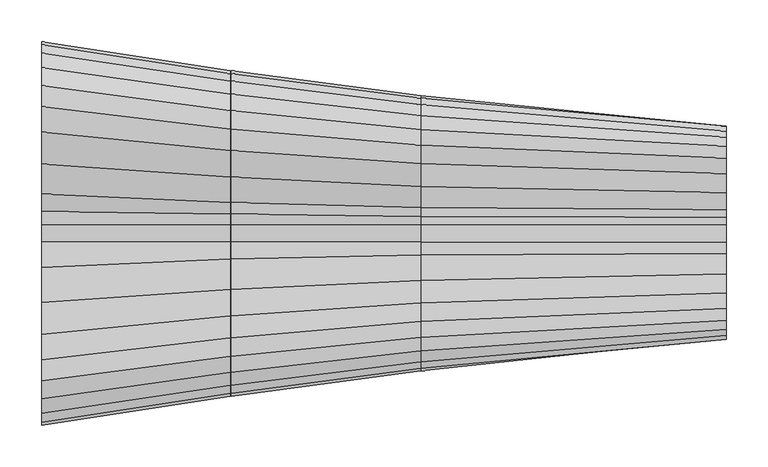
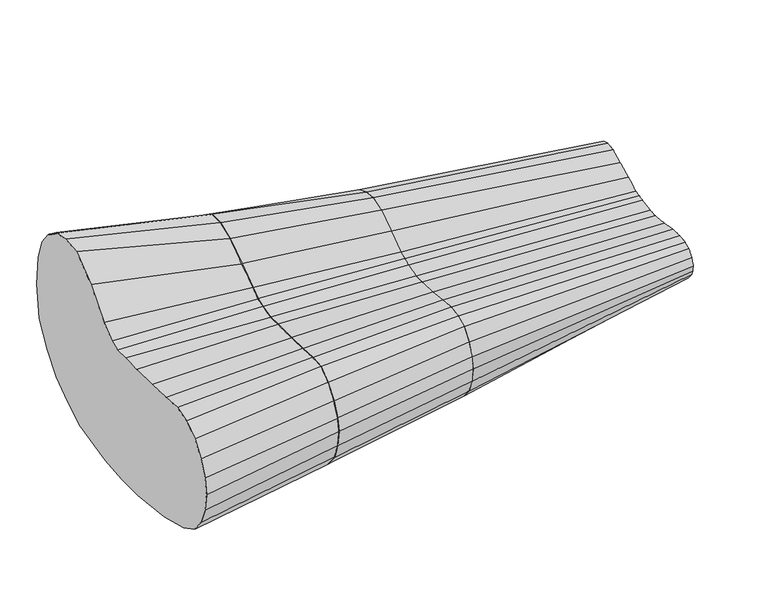
"""IFC4 building model written with IfcOpenShell, lengths in millimetres: furniture geometry."""

from ifc_helpers import new_model, si_unit, frame, origin, place, context, project, spatial, source, transform, mapped, element, save
from ifc_brep_helpers import plane_surface, spline_surface, advanced_brep


def furniture_fcfee61a(model_context):
    return source(origin(), model_context, "Body", "AdvancedBrep", [
        advanced_brep(
        [(683.6527292, -227.4947259, 367.427609), (683.6527292, -216.8380544, 392.1477571), (683.6527292, -199.7310499, 415.2632066), (683.6527292, -177.7669109, 432.0204323), (683.6527292, -152.5168533, 438.6781291), (683.6527292, -121.8045383, 437.3336254), (683.6527292, -83.4446432, 435.3574379), (683.6527292, -41.4584705, 435.1932764), (683.6527292, -10.5670489, 435.600628), (683.6527292, 9.9732296, 436.2193766), (683.6527292, 26.0260436, 441.5130578), (683.6527292, 47.1601437, 459.0756486), (683.6527292, 83.4446432, 500.5646496), (683.6527292, 121.8045383, 531.6729615), (683.6527292, 152.5168533, 534.1466114), (683.6527292, 177.7669109, 529.316274), (683.6527292, 199.7310499, 512.9957585), (683.6527292, 216.8380544, 490.8662953), (683.6527292, 227.4947259, 458.7724694), (683.6527292, 231.2008769, 411.6522715), (683.6527292, 223.9890714, 359.0169668), (683.6527292, 203.1050809, 319.6454601), (683.6527292, 177.7269061, 289.4243578), (683.6527292, 155.1426923, 272.4848758), (683.6527292, 114.932029, 247.9028734), (683.6527292, 44.1240146, 232.0407057), (683.6527292, 0.0, 226.577558), (683.6527292, -44.0139241, 226.7510395), (683.6527292, -116.3975646, 235.0542754), (683.6527292, -169.4444356, 248.7341998), (683.6527292, -198.7377784, 264.1808042), (683.6527292, -216.8093498, 287.2412607), (683.6527292, -227.4689281, 313.2198712), (683.6527292, -231.2008769, 341.0958587), (910.9237405, -192.6913452, 365.9316974), (910.9237405, -196.4842096, 345.5392284), (910.9237405, -193.1368848, 319.7888743), (910.9237405, -184.1712802, 295.4385438), (910.9237405, -167.7064967, 274.2216884), (910.9237405, -141.8395617, 261.6403343), (910.9237405, -94.073691, 245.9588423), (910.9237405, -33.9640424, 239.0120098), (910.9237405, 0.0, 236.3880057), (910.9237405, 36.0640164, 245.8591391), (910.9237405, 92.6081464, 266.1832983), (910.9237405, 134.9873546, 285.8266487), (910.9237405, 155.2252999, 303.9373346), (910.9237405, 174.6185566, 331.942275), (910.9237405, 187.6781519, 366.1150437), (910.9237405, 196.0386518, 403.0430586), (910.9237405, 192.6911817, 437.5545422), (910.9237405, 183.0976902, 464.13268), (910.9237405, 167.7064967, 485.1114867), (910.9237405, 148.0868003, 498.3507222), (910.9237405, 125.8084273, 497.9096518), (910.9237405, 99.4316488, 487.249801), (910.9237405, 67.5171906, 464.5594345), (910.9237405, 37.2542508, 443.7289109), (910.9237405, 23.5020447, 433.307563), (910.9237405, 9.7496888, 428.8164854), (910.9237405, -10.5659805, 423.0733767), (910.9237405, -30.6347466, 423.5670238), (910.9237405, -67.517345, 423.642637), (910.9237405, -99.4316488, 425.0366652), (910.9237405, -125.8084273, 426.040056), (910.9237405, -148.0869548, 424.6982411), (910.9237405, -167.7064967, 410.1720566), (910.9237405, -183.0976902, 388.399621)],
        [
            (0, 1),
            (1, 2),
            (2, 3),
            (3, 4),
            (4, 5),
            (5, 6),
            (6, 7),
            (7, 8),
            (8, 9),
            (9, 10),
            (10, 11),
            (11, 12),
            (12, 13),
            (13, 14),
            (14, 15),
            (15, 16),
            (16, 17),
            (17, 18),
            (18, 19),
            (19, 20),
            (20, 21),
            (21, 22),
            (22, 23),
            (23, 24),
            (24, 25),
            (25, 26),
            (26, 27),
            (27, 28),
            (28, 29),
            (29, 30),
            (30, 31),
            (31, 32),
            (32, 33),
            (33, 0),
            (34, 35),
            (35, 36),
            (36, 37),
            (37, 38),
            (38, 39),
            (39, 40),
            (40, 41),
            (41, 42),
            (42, 43),
            (43, 44),
            (44, 45),
            (45, 46),
            (46, 47),
            (47, 48),
            (48, 49),
            (49, 50),
            (50, 51),
            (51, 52),
            (52, 53),
            (53, 54),
            (54, 55),
            (55, 56),
            (56, 57),
            (57, 58),
            (58, 59),
            (59, 60),
            (60, 61),
            (61, 62),
            (62, 63),
            (63, 64),
            (64, 65),
            (65, 66),
            (66, 67),
            (67, 34),
            (67, 1),
            (0, 34),
            (66, 2),
            (65, 3),
            (64, 4),
            (63, 5),
            (62, 6),
            (61, 7),
            (60, 8),
            (59, 9),
            (58, 10),
            (57, 11),
            (56, 12),
            (55, 13),
            (54, 14),
            (53, 15),
            (52, 16),
            (51, 17),
            (50, 18),
            (49, 19),
            (48, 20),
            (47, 21),
            (46, 22),
            (45, 23),
            (44, 24),
            (43, 25),
            (42, 26),
            (41, 27),
            (40, 28),
            (39, 29),
            (38, 30),
            (37, 31),
            (36, 32),
            (35, 33),
        ],
        [
            plane_surface(frame((683.6527292, -0.668185, 381.152576), z_axis=(-1.0000000000000002, 0.0, 0.0), x_axis=(0.0, -0.8026686552666004, 0.5964252089344545))),
            plane_surface(frame((910.9237405, -0.1426825, 375.652264), z_axis=(1.0000000000000002, 0.0, 0.0), x_axis=(0.0, -0.8026686552666004, 0.5964252089344545))),
            spline_surface(1, 1, [[(910.9237405, -192.6913452, 365.9316974), (683.6527292, -227.4947259, 367.427609)], [(910.9237405, -183.0976902, 388.399621), (683.6527292, -216.8380544, 392.1477571)]], [2, 2], [2, 2], [0.0, 1.0], [0.0, 1.0]),
            spline_surface(1, 1, [[(910.9237405, -183.0976902, 388.399621), (683.6527292, -216.8380544, 392.1477571)], [(910.9237405, -167.7064967, 410.1720566), (683.6527292, -199.7310499, 415.2632066)]], [2, 2], [2, 2], [0.0, 1.0], [0.0, 1.0]),
            spline_surface(1, 1, [[(910.9237405, -167.7064967, 410.1720566), (683.6527292, -199.7310499, 415.2632066)], [(910.9237405, -148.0869548, 424.6982411), (683.6527292, -177.7669109, 432.0204323)]], [2, 2], [2, 2], [0.0, 1.0], [0.0, 1.0]),
            spline_surface(1, 1, [[(910.9237405, -148.0869548, 424.6982411), (683.6527292, -177.7669109, 432.0204323)], [(910.9237405, -125.8084273, 426.040056), (683.6527292, -152.5168533, 438.6781291)]], [2, 2], [2, 2], [0.0, 1.0], [0.0, 1.0]),
            spline_surface(1, 1, [[(910.9237405, -125.8084273, 426.040056), (683.6527292, -152.5168533, 438.6781291)], [(910.9237405, -99.4316488, 425.0366652), (683.6527292, -121.8045383, 437.3336254)]], [2, 2], [2, 2], [0.0, 1.0], [0.0, 1.0]),
            spline_surface(1, 1, [[(910.9237405, -99.4316488, 425.0366652), (683.6527292, -121.8045383, 437.3336254)], [(910.9237405, -67.517345, 423.642637), (683.6527292, -83.4446432, 435.3574379)]], [2, 2], [2, 2], [0.0, 1.0], [0.0, 1.0]),
            spline_surface(1, 1, [[(910.9237405, -67.517345, 423.642637), (683.6527292, -83.4446432, 435.3574379)], [(910.9237405, -30.6347466, 423.5670238), (683.6527292, -41.4584705, 435.1932764)]], [2, 2], [2, 2], [0.0, 1.0], [0.0, 1.0]),
            spline_surface(1, 1, [[(910.9237405, -30.6347466, 423.5670238), (683.6527292, -41.4584705, 435.1932764)], [(910.9237405, -10.5659805, 423.0733767), (683.6527292, -10.5670489, 435.600628)]], [2, 2], [2, 2], [0.0, 1.0], [0.0, 1.0]),
            spline_surface(1, 1, [[(910.9237405, -10.5659805, 423.0733767), (683.6527292, -10.5670489, 435.600628)], [(910.9237405, 9.7496888, 428.8164854), (683.6527292, 9.9732296, 436.2193766)]], [2, 2], [2, 2], [0.0, 1.0], [0.0, 1.0]),
            spline_surface(1, 1, [[(910.9237405, 9.7496888, 428.8164854), (683.6527292, 9.9732296, 436.2193766)], [(910.9237405, 23.5020447, 433.307563), (683.6527292, 26.0260436, 441.5130578)]], [2, 2], [2, 2], [0.0, 1.0], [0.0, 1.0]),
            spline_surface(1, 1, [[(910.9237405, 23.5020447, 433.307563), (683.6527292, 26.0260436, 441.5130578)], [(910.9237405, 37.2542508, 443.7289109), (683.6527292, 47.1601437, 459.0756486)]], [2, 2], [2, 2], [0.0, 1.0], [0.0, 1.0]),
            spline_surface(1, 1, [[(910.9237405, 37.2542508, 443.7289109), (683.6527292, 47.1601437, 459.0756486)], [(910.9237405, 67.5171906, 464.5594345), (683.6527292, 83.4446432, 500.5646496)]], [2, 2], [2, 2], [0.0, 1.0], [0.0, 1.0]),
            spline_surface(1, 1, [[(910.9237405, 67.5171906, 464.5594345), (683.6527292, 83.4446432, 500.5646496)], [(910.9237405, 99.4316488, 487.249801), (683.6527292, 121.8045383, 531.6729615)]], [2, 2], [2, 2], [0.0, 1.0], [0.0, 1.0]),
            spline_surface(1, 1, [[(910.9237405, 99.4316488, 487.249801), (683.6527292, 121.8045383, 531.6729615)], [(910.9237405, 125.8084273, 497.9096518), (683.6527292, 152.5168533, 534.1466114)]], [2, 2], [2, 2], [0.0, 1.0], [0.0, 1.0]),
            spline_surface(1, 1, [[(910.9237405, 125.8084273, 497.9096518), (683.6527292, 152.5168533, 534.1466114)], [(910.9237405, 148.0868003, 498.3507222), (683.6527292, 177.7669109, 529.316274)]], [2, 2], [2, 2], [0.0, 1.0], [0.0, 1.0]),
            spline_surface(1, 1, [[(910.9237405, 148.0868003, 498.3507222), (683.6527292, 177.7669109, 529.316274)], [(910.9237405, 167.7064967, 485.1114867), (683.6527292, 199.7310499, 512.9957585)]], [2, 2], [2, 2], [0.0, 1.0], [0.0, 1.0]),
            spline_surface(1, 1, [[(910.9237405, 167.7064967, 485.1114867), (683.6527292, 199.7310499, 512.9957585)], [(910.9237405, 183.0976902, 464.13268), (683.6527292, 216.8380544, 490.8662953)]], [2, 2], [2, 2], [0.0, 1.0], [0.0, 1.0]),
            spline_surface(1, 1, [[(910.9237405, 183.0976902, 464.13268), (683.6527292, 216.8380544, 490.8662953)], [(910.9237405, 192.6911817, 437.5545422), (683.6527292, 227.4947259, 458.7724694)]], [2, 2], [2, 2], [0.0, 1.0], [0.0, 1.0]),
            spline_surface(1, 1, [[(910.9237405, 192.6911817, 437.5545422), (683.6527292, 227.4947259, 458.7724694)], [(910.9237405, 196.0386518, 403.0430586), (683.6527292, 231.2008769, 411.6522715)]], [2, 2], [2, 2], [0.0, 1.0], [0.0, 1.0]),
            spline_surface(1, 1, [[(910.9237405, 196.0386518, 403.0430586), (683.6527292, 231.2008769, 411.6522715)], [(910.9237405, 187.6781519, 366.1150437), (683.6527292, 223.9890714, 359.0169668)]], [2, 2], [2, 2], [0.0, 1.0], [0.0, 1.0]),
            spline_surface(1, 1, [[(910.9237405, 187.6781519, 366.1150437), (683.6527292, 223.9890714, 359.0169668)], [(910.9237405, 174.6185566, 331.942275), (683.6527292, 203.1050809, 319.6454601)]], [2, 2], [2, 2], [0.0, 1.0], [0.0, 1.0]),
            spline_surface(1, 1, [[(910.9237405, 174.6185566, 331.942275), (683.6527292, 203.1050809, 319.6454601)], [(910.9237405, 155.2252999, 303.9373346), (683.6527292, 177.7269061, 289.4243578)]], [2, 2], [2, 2], [0.0, 1.0], [0.0, 1.0]),
            spline_surface(1, 1, [[(910.9237405, 155.2252999, 303.9373346), (683.6527292, 177.7269061, 289.4243578)], [(910.9237405, 134.9873546, 285.8266487), (683.6527292, 155.1426923, 272.4848758)]], [2, 2], [2, 2], [0.0, 1.0], [0.0, 1.0]),
            spline_surface(1, 1, [[(910.9237405, 134.9873546, 285.8266487), (683.6527292, 155.1426923, 272.4848758)], [(910.9237405, 92.6081464, 266.1832983), (683.6527292, 114.932029, 247.9028734)]], [2, 2], [2, 2], [0.0, 1.0], [0.0, 1.0]),
            spline_surface(1, 1, [[(910.9237405, 92.6081464, 266.1832983), (683.6527292, 114.932029, 247.9028734)], [(910.9237405, 36.0640164, 245.8591391), (683.6527292, 44.1240146, 232.0407057)]], [2, 2], [2, 2], [0.0, 1.0], [0.0, 1.0]),
            spline_surface(1, 1, [[(910.9237405, 36.0640164, 245.8591391), (683.6527292, 44.1240146, 232.0407057)], [(910.9237405, 0.0, 236.3880057), (683.6527292, 0.0, 226.577558)]], [2, 2], [2, 2], [0.0, 1.0], [0.0, 1.0]),
            spline_surface(1, 1, [[(910.9237405, 0.0, 236.3880057), (683.6527292, 0.0, 226.577558)], [(910.9237405, -33.9640424, 239.0120098), (683.6527292, -44.0139241, 226.7510395)]], [2, 2], [2, 2], [0.0, 1.0], [0.0, 1.0]),
            spline_surface(1, 1, [[(910.9237405, -33.9640424, 239.0120098), (683.6527292, -44.0139241, 226.7510395)], [(910.9237405, -94.073691, 245.9588423), (683.6527292, -116.3975646, 235.0542754)]], [2, 2], [2, 2], [0.0, 1.0], [0.0, 1.0]),
            spline_surface(1, 1, [[(910.9237405, -94.073691, 245.9588423), (683.6527292, -116.3975646, 235.0542754)], [(910.9237405, -141.8395617, 261.6403343), (683.6527292, -169.4444356, 248.7341998)]], [2, 2], [2, 2], [0.0, 1.0], [0.0, 1.0]),
            spline_surface(1, 1, [[(910.9237405, -141.8395617, 261.6403343), (683.6527292, -169.4444356, 248.7341998)], [(910.9237405, -167.7064967, 274.2216884), (683.6527292, -198.7377784, 264.1808042)]], [2, 2], [2, 2], [0.0, 1.0], [0.0, 1.0]),
            spline_surface(1, 1, [[(910.9237405, -167.7064967, 274.2216884), (683.6527292, -198.7377784, 264.1808042)], [(910.9237405, -184.1712802, 295.4385438), (683.6527292, -216.8093498, 287.2412607)]], [2, 2], [2, 2], [0.0, 1.0], [0.0, 1.0]),
            spline_surface(1, 1, [[(910.9237405, -184.1712802, 295.4385438), (683.6527292, -216.8093498, 287.2412607)], [(910.9237405, -193.1368848, 319.7888743), (683.6527292, -227.4689281, 313.2198712)]], [2, 2], [2, 2], [0.0, 1.0], [0.0, 1.0]),
            spline_surface(1, 1, [[(910.9237405, -193.1368848, 319.7888743), (683.6527292, -227.4689281, 313.2198712)], [(910.9237405, -196.4842096, 345.5392284), (683.6527292, -231.2008769, 341.0958587)]], [2, 2], [2, 2], [0.0, 1.0], [0.0, 1.0]),
            spline_surface(1, 1, [[(910.9237405, -196.4842096, 345.5392284), (683.6527292, -231.2008769, 341.0958587)], [(910.9237405, -192.6913452, 365.9316974), (683.6527292, -227.4947259, 367.427609)]], [2, 2], [2, 2], [0.0, 1.0], [0.0, 1.0]),
        ],
        [
            (0, [[1, 2, 3, 4, 5, 6, 7, 8, 9, 10, 11, 12, 13, 14, 15, 16, 17, 18, 19, 20, 21, 22, 23, 24, 25, 26, 27, 28, 29, 30, 31, 32, 33, 34]]),
            (1, [[35, 36, 37, 38, 39, 40, 41, 42, 43, 44, 45, 46, 47, 48, 49, 50, 51, 52, 53, 54, 55, 56, 57, 58, 59, 60, 61, 62, 63, 64, 65, 66, 67, 68]]),
            (2, [[-68, 69, -1, 70]]),
            (3, [[-67, 71, -2, -69]]),
            (4, [[-66, 72, -3, -71]]),
            (5, [[-65, 73, -4, -72]]),
            (6, [[-64, 74, -5, -73]]),
            (7, [[-63, 75, -6, -74]]),
            (8, [[-62, 76, -7, -75]]),
            (9, [[-61, 77, -8, -76]]),
            (10, [[-60, 78, -9, -77]]),
            (11, [[-59, 79, -10, -78]]),
            (12, [[-58, 80, -11, -79]]),
            (13, [[-57, 81, -12, -80]]),
            (14, [[-56, 82, -13, -81]]),
            (15, [[-55, 83, -14, -82]]),
            (16, [[-54, 84, -15, -83]]),
            (17, [[-53, 85, -16, -84]]),
            (18, [[-52, 86, -17, -85]]),
            (19, [[-51, 87, -18, -86]]),
            (20, [[-50, 88, -19, -87]]),
            (21, [[-49, 89, -20, -88]]),
            (22, [[-48, 90, -21, -89]]),
            (23, [[-47, 91, -22, -90]]),
            (24, [[-46, 92, -23, -91]]),
            (25, [[-45, 93, -24, -92]]),
            (26, [[-44, 94, -25, -93]]),
            (27, [[-43, 95, -26, -94]]),
            (28, [[-42, 96, -27, -95]]),
            (29, [[-41, 97, -28, -96]]),
            (30, [[-40, 98, -29, -97]]),
            (31, [[-39, 99, -30, -98]]),
            (32, [[-38, 100, -31, -99]]),
            (33, [[-37, 101, -32, -100]]),
            (34, [[-36, 102, -33, -101]]),
            (35, [[-35, -70, -34, -102]]),
        ],
    ),
        advanced_brep(
        [(911.9284757, 125.8084273, 497.9096518), (911.9284757, 148.0868003, 498.3507222), (911.9284757, 167.7064967, 485.1114867), (911.9284757, 183.0976902, 464.13268), (911.9284757, 192.6911817, 437.5545422), (911.9284757, 196.0386518, 403.0430586), (911.9284757, 187.6781519, 366.1150437), (911.9284757, 174.6185566, 331.942275), (911.9284757, 155.2252999, 303.9373346), (911.9284757, 134.9873546, 285.8266487), (911.9284757, 92.6081464, 266.1832983), (911.9284757, 36.0640164, 245.8591391), (911.9284757, 0.0, 236.3880057), (911.9284757, -33.9640424, 239.0120098), (911.9284757, -94.073691, 245.9588423), (911.9284757, -141.8395617, 261.6403343), (911.9284757, -167.7064967, 274.2216884), (911.9284757, -184.1712802, 295.4385438), (911.9284757, -193.1368848, 319.7888743), (911.9284757, -196.4842096, 345.5392284), (911.9284757, -192.6913452, 365.9316974), (911.9284757, -183.0976902, 388.399621), (911.9284757, -167.7064967, 410.1720566), (911.9284757, -148.0869548, 424.6982411), (911.9284757, -125.8084273, 426.040056), (911.9284757, -99.4316488, 425.0366652), (911.9284757, -67.517345, 423.642637), (911.9284757, -30.6347466, 423.5670238), (911.9284757, -10.5659805, 423.0733767), (911.9284757, 9.7496888, 428.8164854), (911.9284757, 23.5020447, 433.307563), (911.9284757, 37.2542508, 443.7289109), (911.9284757, 67.5171906, 464.5594345), (911.9284757, 99.4316488, 487.249801), (1140.1810405, 106.2362117, 470.852655), (1140.1810405, 83.7630104, 464.4063915), (1140.1810405, 56.5870393, 446.0768417), (1140.1810405, 30.8921846, 426.6468141), (1140.1810405, 20.4054519, 422.2302232), (1140.1810405, 9.9187192, 417.8136686), (1140.1810405, -10.5618576, 411.9399356), (1140.1810405, -26.2422572, 411.1880919), (1140.1810405, -56.5870393, 413.1708924), (1140.1810405, -83.7630104, 416.2499923), (1140.1810405, -106.2362117, 418.2673837), (1140.1810405, -125.2677444, 415.1289851), (1140.1810405, -141.9265931, 407.7404826), (1140.1810405, -154.9466469, 389.1131312), (1140.1810405, -163.0622126, 369.6281287), (1140.1810405, -165.8938893, 351.69503), (1140.1810405, -163.0622126, 329.0616732), (1140.1810405, -154.9466469, 308.1395854), (1140.1810405, -141.9265931, 292.1468661), (1140.1810405, -119.0156188, 281.2368489), (1140.1810405, -78.3596974, 266.4864048), (1140.1810405, -28.1764051, 258.5126727), (1140.1810405, 0.0, 256.5882444), (1140.1810405, 30.2763792, 266.553352), (1140.1810405, 76.8941618, 287.8831183), (1140.1810405, 112.1635661, 310.5622936), (1140.1810405, 129.4453964, 326.4132883), (1140.1810405, 146.4675042, 347.5870322), (1140.1810405, 156.4086579, 372.9298167), (1140.1810405, 165.8938893, 397.8062779), (1140.1810405, 163.0622126, 424.2558263), (1140.1810405, 154.9466469, 445.8054193), (1140.1810405, 141.9264387, 462.5416434), (1140.1810405, 125.2677444, 468.9080063)],
        [
            (0, 1),
            (1, 2),
            (2, 3),
            (3, 4),
            (4, 5),
            (5, 6),
            (6, 7),
            (7, 8),
            (8, 9),
            (9, 10),
            (10, 11),
            (11, 12),
            (12, 13),
            (13, 14),
            (14, 15),
            (15, 16),
            (16, 17),
            (17, 18),
            (18, 19),
            (19, 20),
            (20, 21),
            (21, 22),
            (22, 23),
            (23, 24),
            (24, 25),
            (25, 26),
            (26, 27),
            (27, 28),
            (28, 29),
            (29, 30),
            (30, 31),
            (31, 32),
            (32, 33),
            (33, 0),
            (34, 35),
            (35, 36),
            (36, 37),
            (37, 38),
            (38, 39),
            (39, 40),
            (40, 41),
            (41, 42),
            (42, 43),
            (43, 44),
            (44, 45),
            (45, 46),
            (46, 47),
            (47, 48),
            (48, 49),
            (49, 50),
            (50, 51),
            (51, 52),
            (52, 53),
            (53, 54),
            (54, 55),
            (55, 56),
            (56, 57),
            (57, 58),
            (58, 59),
            (59, 60),
            (60, 61),
            (61, 62),
            (62, 63),
            (63, 64),
            (64, 65),
            (65, 66),
            (66, 67),
            (67, 34),
            (67, 1),
            (0, 34),
            (66, 2),
            (65, 3),
            (64, 4),
            (63, 5),
            (62, 6),
            (61, 7),
            (60, 8),
            (59, 9),
            (58, 10),
            (57, 11),
            (56, 12),
            (55, 13),
            (54, 14),
            (53, 15),
            (52, 16),
            (51, 17),
            (50, 18),
            (49, 19),
            (48, 20),
            (47, 21),
            (46, 22),
            (45, 23),
            (44, 24),
            (43, 25),
            (42, 26),
            (41, 27),
            (40, 28),
            (39, 29),
            (38, 30),
            (37, 31),
            (36, 32),
            (35, 33),
        ],
        [
            plane_surface(frame((911.9284757, -0.1426825, 375.652264), z_axis=(-1.0, 0.0, 0.0), x_axis=(0.0, -0.33951392578937706, 0.9406010281703319))),
            plane_surface(frame((1140.1810405, -0.2770418, 375.1637358), z_axis=(1.0, 0.0, 0.0), x_axis=(0.0, -0.33951392578937706, 0.9406010281703319))),
            spline_surface(1, 1, [[(1140.1810405, 106.2362117, 470.852655), (911.9284757, 125.8084273, 497.9096518)], [(1140.1810405, 125.2677444, 468.9080063), (911.9284757, 148.0868003, 498.3507222)]], [2, 2], [2, 2], [0.0, 1.0], [0.0, 1.0]),
            spline_surface(1, 1, [[(1140.1810405, 125.2677444, 468.9080063), (911.9284757, 148.0868003, 498.3507222)], [(1140.1810405, 141.9264387, 462.5416434), (911.9284757, 167.7064967, 485.1114867)]], [2, 2], [2, 2], [0.0, 1.0], [0.0, 1.0]),
            spline_surface(1, 1, [[(1140.1810405, 141.9264387, 462.5416434), (911.9284757, 167.7064967, 485.1114867)], [(1140.1810405, 154.9466469, 445.8054193), (911.9284757, 183.0976902, 464.13268)]], [2, 2], [2, 2], [0.0, 1.0], [0.0, 1.0]),
            spline_surface(1, 1, [[(1140.1810405, 154.9466469, 445.8054193), (911.9284757, 183.0976902, 464.13268)], [(1140.1810405, 163.0622126, 424.2558263), (911.9284757, 192.6911817, 437.5545422)]], [2, 2], [2, 2], [0.0, 1.0], [0.0, 1.0]),
            spline_surface(1, 1, [[(1140.1810405, 163.0622126, 424.2558263), (911.9284757, 192.6911817, 437.5545422)], [(1140.1810405, 165.8938893, 397.8062779), (911.9284757, 196.0386518, 403.0430586)]], [2, 2], [2, 2], [0.0, 1.0], [0.0, 1.0]),
            spline_surface(1, 1, [[(1140.1810405, 165.8938893, 397.8062779), (911.9284757, 196.0386518, 403.0430586)], [(1140.1810405, 156.4086579, 372.9298167), (911.9284757, 187.6781519, 366.1150437)]], [2, 2], [2, 2], [0.0, 1.0], [0.0, 1.0]),
            spline_surface(1, 1, [[(1140.1810405, 156.4086579, 372.9298167), (911.9284757, 187.6781519, 366.1150437)], [(1140.1810405, 146.4675042, 347.5870322), (911.9284757, 174.6185566, 331.942275)]], [2, 2], [2, 2], [0.0, 1.0], [0.0, 1.0]),
            spline_surface(1, 1, [[(1140.1810405, 146.4675042, 347.5870322), (911.9284757, 174.6185566, 331.942275)], [(1140.1810405, 129.4453964, 326.4132883), (911.9284757, 155.2252999, 303.9373346)]], [2, 2], [2, 2], [0.0, 1.0], [0.0, 1.0]),
            spline_surface(1, 1, [[(1140.1810405, 129.4453964, 326.4132883), (911.9284757, 155.2252999, 303.9373346)], [(1140.1810405, 112.1635661, 310.5622936), (911.9284757, 134.9873546, 285.8266487)]], [2, 2], [2, 2], [0.0, 1.0], [0.0, 1.0]),
            spline_surface(1, 1, [[(1140.1810405, 112.1635661, 310.5622936), (911.9284757, 134.9873546, 285.8266487)], [(1140.1810405, 76.8941618, 287.8831183), (911.9284757, 92.6081464, 266.1832983)]], [2, 2], [2, 2], [0.0, 1.0], [0.0, 1.0]),
            spline_surface(1, 1, [[(1140.1810405, 76.8941618, 287.8831183), (911.9284757, 92.6081464, 266.1832983)], [(1140.1810405, 30.2763792, 266.553352), (911.9284757, 36.0640164, 245.8591391)]], [2, 2], [2, 2], [0.0, 1.0], [0.0, 1.0]),
            spline_surface(1, 1, [[(1140.1810405, 30.2763792, 266.553352), (911.9284757, 36.0640164, 245.8591391)], [(1140.1810405, 0.0, 256.5882444), (911.9284757, 0.0, 236.3880057)]], [2, 2], [2, 2], [0.0, 1.0], [0.0, 1.0]),
            spline_surface(1, 1, [[(1140.1810405, 0.0, 256.5882444), (911.9284757, 0.0, 236.3880057)], [(1140.1810405, -28.1764051, 258.5126727), (911.9284757, -33.9640424, 239.0120098)]], [2, 2], [2, 2], [0.0, 1.0], [0.0, 1.0]),
            spline_surface(1, 1, [[(1140.1810405, -28.1764051, 258.5126727), (911.9284757, -33.9640424, 239.0120098)], [(1140.1810405, -78.3596974, 266.4864048), (911.9284757, -94.073691, 245.9588423)]], [2, 2], [2, 2], [0.0, 1.0], [0.0, 1.0]),
            spline_surface(1, 1, [[(1140.1810405, -78.3596974, 266.4864048), (911.9284757, -94.073691, 245.9588423)], [(1140.1810405, -119.0156188, 281.2368489), (911.9284757, -141.8395617, 261.6403343)]], [2, 2], [2, 2], [0.0, 1.0], [0.0, 1.0]),
            spline_surface(1, 1, [[(1140.1810405, -119.0156188, 281.2368489), (911.9284757, -141.8395617, 261.6403343)], [(1140.1810405, -141.9265931, 292.1468661), (911.9284757, -167.7064967, 274.2216884)]], [2, 2], [2, 2], [0.0, 1.0], [0.0, 1.0]),
            spline_surface(1, 1, [[(1140.1810405, -141.9265931, 292.1468661), (911.9284757, -167.7064967, 274.2216884)], [(1140.1810405, -154.9466469, 308.1395854), (911.9284757, -184.1712802, 295.4385438)]], [2, 2], [2, 2], [0.0, 1.0], [0.0, 1.0]),
            spline_surface(1, 1, [[(1140.1810405, -154.9466469, 308.1395854), (911.9284757, -184.1712802, 295.4385438)], [(1140.1810405, -163.0622126, 329.0616732), (911.9284757, -193.1368848, 319.7888743)]], [2, 2], [2, 2], [0.0, 1.0], [0.0, 1.0]),
            spline_surface(1, 1, [[(1140.1810405, -163.0622126, 329.0616732), (911.9284757, -193.1368848, 319.7888743)], [(1140.1810405, -165.8938893, 351.69503), (911.9284757, -196.4842096, 345.5392284)]], [2, 2], [2, 2], [0.0, 1.0], [0.0, 1.0]),
            spline_surface(1, 1, [[(1140.1810405, -165.8938893, 351.69503), (911.9284757, -196.4842096, 345.5392284)], [(1140.1810405, -163.0622126, 369.6281287), (911.9284757, -192.6913452, 365.9316974)]], [2, 2], [2, 2], [0.0, 1.0], [0.0, 1.0]),
            spline_surface(1, 1, [[(1140.1810405, -163.0622126, 369.6281287), (911.9284757, -192.6913452, 365.9316974)], [(1140.1810405, -154.9466469, 389.1131312), (911.9284757, -183.0976902, 388.399621)]], [2, 2], [2, 2], [0.0, 1.0], [0.0, 1.0]),
            spline_surface(1, 1, [[(1140.1810405, -154.9466469, 389.1131312), (911.9284757, -183.0976902, 388.399621)], [(1140.1810405, -141.9265931, 407.7404826), (911.9284757, -167.7064967, 410.1720566)]], [2, 2], [2, 2], [0.0, 1.0], [0.0, 1.0]),
            spline_surface(1, 1, [[(1140.1810405, -141.9265931, 407.7404826), (911.9284757, -167.7064967, 410.1720566)], [(1140.1810405, -125.2677444, 415.1289851), (911.9284757, -148.0869548, 424.6982411)]], [2, 2], [2, 2], [0.0, 1.0], [0.0, 1.0]),
            spline_surface(1, 1, [[(1140.1810405, -125.2677444, 415.1289851), (911.9284757, -148.0869548, 424.6982411)], [(1140.1810405, -106.2362117, 418.2673837), (911.9284757, -125.8084273, 426.040056)]], [2, 2], [2, 2], [0.0, 1.0], [0.0, 1.0]),
            spline_surface(1, 1, [[(1140.1810405, -106.2362117, 418.2673837), (911.9284757, -125.8084273, 426.040056)], [(1140.1810405, -83.7630104, 416.2499923), (911.9284757, -99.4316488, 425.0366652)]], [2, 2], [2, 2], [0.0, 1.0], [0.0, 1.0]),
            spline_surface(1, 1, [[(1140.1810405, -83.7630104, 416.2499923), (911.9284757, -99.4316488, 425.0366652)], [(1140.1810405, -56.5870393, 413.1708924), (911.9284757, -67.517345, 423.642637)]], [2, 2], [2, 2], [0.0, 1.0], [0.0, 1.0]),
            spline_surface(1, 1, [[(1140.1810405, -56.5870393, 413.1708924), (911.9284757, -67.517345, 423.642637)], [(1140.1810405, -26.2422572, 411.1880919), (911.9284757, -30.6347466, 423.5670238)]], [2, 2], [2, 2], [0.0, 1.0], [0.0, 1.0]),
            spline_surface(1, 1, [[(1140.1810405, -26.2422572, 411.1880919), (911.9284757, -30.6347466, 423.5670238)], [(1140.1810405, -10.5618576, 411.9399356), (911.9284757, -10.5659805, 423.0733767)]], [2, 2], [2, 2], [0.0, 1.0], [0.0, 1.0]),
            spline_surface(1, 1, [[(1140.1810405, -10.5618576, 411.9399356), (911.9284757, -10.5659805, 423.0733767)], [(1140.1810405, 9.9187192, 417.8136686), (911.9284757, 9.7496888, 428.8164854)]], [2, 2], [2, 2], [0.0, 1.0], [0.0, 1.0]),
            spline_surface(1, 1, [[(1140.1810405, 9.9187192, 417.8136686), (911.9284757, 9.7496888, 428.8164854)], [(1140.1810405, 20.4054519, 422.2302232), (911.9284757, 23.5020447, 433.307563)]], [2, 2], [2, 2], [0.0, 1.0], [0.0, 1.0]),
            spline_surface(1, 1, [[(1140.1810405, 20.4054519, 422.2302232), (911.9284757, 23.5020447, 433.307563)], [(1140.1810405, 30.8921846, 426.6468141), (911.9284757, 37.2542508, 443.7289109)]], [2, 2], [2, 2], [0.0, 1.0], [0.0, 1.0]),
            spline_surface(1, 1, [[(1140.1810405, 30.8921846, 426.6468141), (911.9284757, 37.2542508, 443.7289109)], [(1140.1810405, 56.5870393, 446.0768417), (911.9284757, 67.5171906, 464.5594345)]], [2, 2], [2, 2], [0.0, 1.0], [0.0, 1.0]),
            spline_surface(1, 1, [[(1140.1810405, 56.5870393, 446.0768417), (911.9284757, 67.5171906, 464.5594345)], [(1140.1810405, 83.7630104, 464.4063915), (911.9284757, 99.4316488, 487.249801)]], [2, 2], [2, 2], [0.0, 1.0], [0.0, 1.0]),
            spline_surface(1, 1, [[(1140.1810405, 83.7630104, 464.4063915), (911.9284757, 99.4316488, 487.249801)], [(1140.1810405, 106.2362117, 470.852655), (911.9284757, 125.8084273, 497.9096518)]], [2, 2], [2, 2], [0.0, 1.0], [0.0, 1.0]),
        ],
        [
            (0, [[1, 2, 3, 4, 5, 6, 7, 8, 9, 10, 11, 12, 13, 14, 15, 16, 17, 18, 19, 20, 21, 22, 23, 24, 25, 26, 27, 28, 29, 30, 31, 32, 33, 34]]),
            (1, [[35, 36, 37, 38, 39, 40, 41, 42, 43, 44, 45, 46, 47, 48, 49, 50, 51, 52, 53, 54, 55, 56, 57, 58, 59, 60, 61, 62, 63, 64, 65, 66, 67, 68]]),
            (2, [[-68, 69, -1, 70]]),
            (3, [[-67, 71, -2, -69]]),
            (4, [[-66, 72, -3, -71]]),
            (5, [[-65, 73, -4, -72]]),
            (6, [[-64, 74, -5, -73]]),
            (7, [[-63, 75, -6, -74]]),
            (8, [[-62, 76, -7, -75]]),
            (9, [[-61, 77, -8, -76]]),
            (10, [[-60, 78, -9, -77]]),
            (11, [[-59, 79, -10, -78]]),
            (12, [[-58, 80, -11, -79]]),
            (13, [[-57, 81, -12, -80]]),
            (14, [[-56, 82, -13, -81]]),
            (15, [[-55, 83, -14, -82]]),
            (16, [[-54, 84, -15, -83]]),
            (17, [[-53, 85, -16, -84]]),
            (18, [[-52, 86, -17, -85]]),
            (19, [[-51, 87, -18, -86]]),
            (20, [[-50, 88, -19, -87]]),
            (21, [[-49, 89, -20, -88]]),
            (22, [[-48, 90, -21, -89]]),
            (23, [[-47, 91, -22, -90]]),
            (24, [[-46, 92, -23, -91]]),
            (25, [[-45, 93, -24, -92]]),
            (26, [[-44, 94, -25, -93]]),
            (27, [[-43, 95, -26, -94]]),
            (28, [[-42, 96, -27, -95]]),
            (29, [[-41, 97, -28, -96]]),
            (30, [[-40, 98, -29, -97]]),
            (31, [[-39, 99, -30, -98]]),
            (32, [[-38, 100, -31, -99]]),
            (33, [[-37, 101, -32, -100]]),
            (34, [[-36, 102, -33, -101]]),
            (35, [[-35, -70, -34, -102]]),
        ],
    ),
        advanced_brep(
        [(1140.1810405, 163.0622126, 424.2558263), (1140.1810405, 165.8938893, 397.8062779), (1140.1810405, 156.4086579, 372.9298167), (1140.1810405, 146.4675042, 347.5870322), (1140.1810405, 129.4453964, 326.4132883), (1140.1810405, 112.1635661, 310.5622936), (1140.1810405, 76.8941618, 287.8831183), (1140.1810405, 30.2763792, 266.553352), (1140.1810405, 0.0, 256.5882444), (1140.1810405, -28.1764051, 258.5126727), (1140.1810405, -78.3596974, 266.4864048), (1140.1810405, -119.0156188, 281.2368489), (1140.1810405, -141.9265931, 292.1468661), (1140.1810405, -154.9466469, 308.1395854), (1140.1810405, -163.0622126, 329.0616732), (1140.1810405, -165.8938893, 351.69503), (1140.1810405, -163.0622126, 369.6281287), (1140.1810405, -154.9466469, 389.1131312), (1140.1810405, -141.9265931, 407.7404826), (1140.1810405, -125.2677444, 415.1289851), (1140.1810405, -106.2362117, 418.2673837), (1140.1810405, -83.7630104, 416.2499923), (1140.1810405, -56.5870393, 413.1708924), (1140.1810405, -26.2422572, 411.1880919), (1140.1810405, -10.5618576, 411.9399356), (1140.1810405, 9.9187192, 417.8136686), (1140.1810405, 20.4054519, 422.2302232), (1140.1810405, 30.8921846, 426.6468141), (1140.1810405, 56.5870393, 446.0768417), (1140.1810405, 83.7630104, 464.4063915), (1140.1810405, 106.2362117, 470.852655), (1140.1810405, 125.2677444, 468.9080063), (1140.1810405, 141.9264387, 462.5416434), (1140.1810405, 154.9466469, 445.8054193), (1508.3630002, 129.4061546, 410.0719173), (1508.3630002, 123.0572235, 422.540742), (1508.3630002, 115.7944309, 430.2296986), (1508.3630002, 105.2502799, 433.2855803), (1508.3630002, 90.6720182, 431.363314), (1508.3630002, 71.8470771, 421.5024696), (1508.3630002, 48.8670844, 411.343097), (1508.3630002, 28.7926716, 399.9432841), (1508.3630002, 19.6667274, 398.0082642), (1508.3630002, 10.5407867, 396.0732805), (1508.3630002, -10.5655217, 392.2598505), (1508.3630002, -24.1425898, 391.2132937), (1508.3630002, -48.8670844, 393.725386), (1508.3630002, -71.8470771, 397.7757929), (1508.3630002, -90.6720182, 398.4985685), (1508.3630002, -105.2502799, 397.062864), (1508.3630002, -115.7944309, 392.1776608), (1508.3630002, -123.1499049, 382.1153026), (1508.3630002, -127.7685365, 370.7367093), (1508.3630002, -126.0130387, 361.0895511), (1508.3630002, -123.45025, 353.5469882), (1508.3630002, -114.1105403, 342.5868287), (1508.3630002, -102.2831735, 334.1174329), (1508.3630002, -85.1694561, 327.5503555), (1508.3630002, -58.9908715, 320.2989086), (1508.3630002, -22.5013019, 318.7037298), (1508.3630002, 0.0, 320.4318947), (1508.3630002, 24.601428, 324.8833672), (1508.3630002, 62.2723754, 337.962547), (1508.3630002, 89.1537969, 353.2772736), (1508.3630002, 101.5287229, 363.6330731), (1508.3630002, 114.1019925, 374.1954371), (1508.3630002, 122.8546014, 384.2769802), (1508.3630002, 128.701174, 397.113515)],
        [
            (0, 1),
            (1, 2),
            (2, 3),
            (3, 4),
            (4, 5),
            (5, 6),
            (6, 7),
            (7, 8),
            (8, 9),
            (9, 10),
            (10, 11),
            (11, 12),
            (12, 13),
            (13, 14),
            (14, 15),
            (15, 16),
            (16, 17),
            (17, 18),
            (18, 19),
            (19, 20),
            (20, 21),
            (21, 22),
            (22, 23),
            (23, 24),
            (24, 25),
            (25, 26),
            (26, 27),
            (27, 28),
            (28, 29),
            (29, 30),
            (30, 31),
            (31, 32),
            (32, 33),
            (33, 0),
            (34, 35),
            (35, 36),
            (36, 37),
            (37, 38),
            (38, 39),
            (39, 40),
            (40, 41),
            (41, 42),
            (42, 43),
            (43, 44),
            (44, 45),
            (45, 46),
            (46, 47),
            (47, 48),
            (48, 49),
            (49, 50),
            (50, 51),
            (51, 52),
            (52, 53),
            (53, 54),
            (54, 55),
            (55, 56),
            (56, 57),
            (57, 58),
            (58, 59),
            (59, 60),
            (60, 61),
            (61, 62),
            (62, 63),
            (63, 64),
            (64, 65),
            (65, 66),
            (66, 67),
            (67, 34),
            (34, 0),
            (33, 35),
            (32, 36),
            (31, 37),
            (30, 38),
            (29, 39),
            (28, 40),
            (27, 41),
            (26, 42),
            (25, 43),
            (24, 44),
            (23, 45),
            (22, 46),
            (21, 47),
            (20, 48),
            (19, 49),
            (18, 50),
            (17, 51),
            (16, 52),
            (15, 53),
            (14, 54),
            (13, 55),
            (12, 56),
            (11, 57),
            (10, 58),
            (9, 59),
            (8, 60),
            (7, 61),
            (6, 62),
            (5, 63),
            (4, 64),
            (3, 65),
            (2, 66),
            (1, 67),
        ],
        [
            plane_surface(frame((1140.1810405, -0.2770418, 375.1637358), z_axis=(-1.0, 0.0, 0.0), x_axis=(0.0, -0.9948201142818667, 0.10165107092507014))),
            plane_surface(frame((1508.3630002, 1.0744844, 378.9292635), z_axis=(1.0, 0.0, 0.0), x_axis=(0.0, -0.9948201142818667, 0.10165107092507014))),
            spline_surface(1, 1, [[(1508.3630002, 123.0572235, 422.540742), (1140.1810405, 154.9466469, 445.8054193)], [(1508.3630002, 129.4061546, 410.0719173), (1140.1810405, 163.0622126, 424.2558263)]], [2, 2], [2, 2], [0.0, 1.0], [0.0, 1.0]),
            spline_surface(1, 1, [[(1508.3630002, 115.7944309, 430.2296986), (1140.1810405, 141.9264387, 462.5416434)], [(1508.3630002, 123.0572235, 422.540742), (1140.1810405, 154.9466469, 445.8054193)]], [2, 2], [2, 2], [0.0, 1.0], [0.0, 1.0]),
            spline_surface(1, 1, [[(1508.3630002, 105.2502799, 433.2855803), (1140.1810405, 125.2677444, 468.9080063)], [(1508.3630002, 115.7944309, 430.2296986), (1140.1810405, 141.9264387, 462.5416434)]], [2, 2], [2, 2], [0.0, 1.0], [0.0, 1.0]),
            spline_surface(1, 1, [[(1508.3630002, 90.6720182, 431.363314), (1140.1810405, 106.2362117, 470.852655)], [(1508.3630002, 105.2502799, 433.2855803), (1140.1810405, 125.2677444, 468.9080063)]], [2, 2], [2, 2], [0.0, 1.0], [0.0, 1.0]),
            spline_surface(1, 1, [[(1508.3630002, 71.8470771, 421.5024696), (1140.1810405, 83.7630104, 464.4063915)], [(1508.3630002, 90.6720182, 431.363314), (1140.1810405, 106.2362117, 470.852655)]], [2, 2], [2, 2], [0.0, 1.0], [0.0, 1.0]),
            spline_surface(1, 1, [[(1508.3630002, 48.8670844, 411.343097), (1140.1810405, 56.5870393, 446.0768417)], [(1508.3630002, 71.8470771, 421.5024696), (1140.1810405, 83.7630104, 464.4063915)]], [2, 2], [2, 2], [0.0, 1.0], [0.0, 1.0]),
            spline_surface(1, 1, [[(1508.3630002, 28.7926716, 399.9432841), (1140.1810405, 30.8921846, 426.6468141)], [(1508.3630002, 48.8670844, 411.343097), (1140.1810405, 56.5870393, 446.0768417)]], [2, 2], [2, 2], [0.0, 1.0], [0.0, 1.0]),
            spline_surface(1, 1, [[(1508.3630002, 19.6667274, 398.0082642), (1140.1810405, 20.4054519, 422.2302232)], [(1508.3630002, 28.7926716, 399.9432841), (1140.1810405, 30.8921846, 426.6468141)]], [2, 2], [2, 2], [0.0, 1.0], [0.0, 1.0]),
            spline_surface(1, 1, [[(1508.3630002, 10.5407867, 396.0732805), (1140.1810405, 9.9187192, 417.8136686)], [(1508.3630002, 19.6667274, 398.0082642), (1140.1810405, 20.4054519, 422.2302232)]], [2, 2], [2, 2], [0.0, 1.0], [0.0, 1.0]),
            spline_surface(1, 1, [[(1508.3630002, -10.5655217, 392.2598505), (1140.1810405, -10.5618576, 411.9399356)], [(1508.3630002, 10.5407867, 396.0732805), (1140.1810405, 9.9187192, 417.8136686)]], [2, 2], [2, 2], [0.0, 1.0], [0.0, 1.0]),
            spline_surface(1, 1, [[(1508.3630002, -24.1425898, 391.2132937), (1140.1810405, -26.2422572, 411.1880919)], [(1508.3630002, -10.5655217, 392.2598505), (1140.1810405, -10.5618576, 411.9399356)]], [2, 2], [2, 2], [0.0, 1.0], [0.0, 1.0]),
            spline_surface(1, 1, [[(1508.3630002, -48.8670844, 393.725386), (1140.1810405, -56.5870393, 413.1708924)], [(1508.3630002, -24.1425898, 391.2132937), (1140.1810405, -26.2422572, 411.1880919)]], [2, 2], [2, 2], [0.0, 1.0], [0.0, 1.0]),
            spline_surface(1, 1, [[(1508.3630002, -71.8470771, 397.7757929), (1140.1810405, -83.7630104, 416.2499923)], [(1508.3630002, -48.8670844, 393.725386), (1140.1810405, -56.5870393, 413.1708924)]], [2, 2], [2, 2], [0.0, 1.0], [0.0, 1.0]),
            spline_surface(1, 1, [[(1508.3630002, -90.6720182, 398.4985685), (1140.1810405, -106.2362117, 418.2673837)], [(1508.3630002, -71.8470771, 397.7757929), (1140.1810405, -83.7630104, 416.2499923)]], [2, 2], [2, 2], [0.0, 1.0], [0.0, 1.0]),
            spline_surface(1, 1, [[(1508.3630002, -105.2502799, 397.062864), (1140.1810405, -125.2677444, 415.1289851)], [(1508.3630002, -90.6720182, 398.4985685), (1140.1810405, -106.2362117, 418.2673837)]], [2, 2], [2, 2], [0.0, 1.0], [0.0, 1.0]),
            spline_surface(1, 1, [[(1508.3630002, -115.7944309, 392.1776608), (1140.1810405, -141.9265931, 407.7404826)], [(1508.3630002, -105.2502799, 397.062864), (1140.1810405, -125.2677444, 415.1289851)]], [2, 2], [2, 2], [0.0, 1.0], [0.0, 1.0]),
            spline_surface(1, 1, [[(1508.3630002, -123.1499049, 382.1153026), (1140.1810405, -154.9466469, 389.1131312)], [(1508.3630002, -115.7944309, 392.1776608), (1140.1810405, -141.9265931, 407.7404826)]], [2, 2], [2, 2], [0.0, 1.0], [0.0, 1.0]),
            spline_surface(1, 1, [[(1508.3630002, -127.7685365, 370.7367093), (1140.1810405, -163.0622126, 369.6281287)], [(1508.3630002, -123.1499049, 382.1153026), (1140.1810405, -154.9466469, 389.1131312)]], [2, 2], [2, 2], [0.0, 1.0], [0.0, 1.0]),
            spline_surface(1, 1, [[(1508.3630002, -126.0130387, 361.0895511), (1140.1810405, -165.8938893, 351.69503)], [(1508.3630002, -127.7685365, 370.7367093), (1140.1810405, -163.0622126, 369.6281287)]], [2, 2], [2, 2], [0.0, 1.0], [0.0, 1.0]),
            spline_surface(1, 1, [[(1508.3630002, -123.45025, 353.5469882), (1140.1810405, -163.0622126, 329.0616732)], [(1508.3630002, -126.0130387, 361.0895511), (1140.1810405, -165.8938893, 351.69503)]], [2, 2], [2, 2], [0.0, 1.0], [0.0, 1.0]),
            spline_surface(1, 1, [[(1508.3630002, -114.1105403, 342.5868287), (1140.1810405, -154.9466469, 308.1395854)], [(1508.3630002, -123.45025, 353.5469882), (1140.1810405, -163.0622126, 329.0616732)]], [2, 2], [2, 2], [0.0, 1.0], [0.0, 1.0]),
            spline_surface(1, 1, [[(1508.3630002, -102.2831735, 334.1174329), (1140.1810405, -141.9265931, 292.1468661)], [(1508.3630002, -114.1105403, 342.5868287), (1140.1810405, -154.9466469, 308.1395854)]], [2, 2], [2, 2], [0.0, 1.0], [0.0, 1.0]),
            spline_surface(1, 1, [[(1508.3630002, -85.1694561, 327.5503555), (1140.1810405, -119.0156188, 281.2368489)], [(1508.3630002, -102.2831735, 334.1174329), (1140.1810405, -141.9265931, 292.1468661)]], [2, 2], [2, 2], [0.0, 1.0], [0.0, 1.0]),
            spline_surface(1, 1, [[(1508.3630002, -58.9908715, 320.2989086), (1140.1810405, -78.3596974, 266.4864048)], [(1508.3630002, -85.1694561, 327.5503555), (1140.1810405, -119.0156188, 281.2368489)]], [2, 2], [2, 2], [0.0, 1.0], [0.0, 1.0]),
            spline_surface(1, 1, [[(1508.3630002, -22.5013019, 318.7037298), (1140.1810405, -28.1764051, 258.5126727)], [(1508.3630002, -58.9908715, 320.2989086), (1140.1810405, -78.3596974, 266.4864048)]], [2, 2], [2, 2], [0.0, 1.0], [0.0, 1.0]),
            spline_surface(1, 1, [[(1508.3630002, 0.0, 320.4318947), (1140.1810405, 0.0, 256.5882444)], [(1508.3630002, -22.5013019, 318.7037298), (1140.1810405, -28.1764051, 258.5126727)]], [2, 2], [2, 2], [0.0, 1.0], [0.0, 1.0]),
            spline_surface(1, 1, [[(1508.3630002, 24.601428, 324.8833672), (1140.1810405, 30.2763792, 266.553352)], [(1508.3630002, 0.0, 320.4318947), (1140.1810405, 0.0, 256.5882444)]], [2, 2], [2, 2], [0.0, 1.0], [0.0, 1.0]),
            spline_surface(1, 1, [[(1508.3630002, 62.2723754, 337.962547), (1140.1810405, 76.8941618, 287.8831183)], [(1508.3630002, 24.601428, 324.8833672), (1140.1810405, 30.2763792, 266.553352)]], [2, 2], [2, 2], [0.0, 1.0], [0.0, 1.0]),
            spline_surface(1, 1, [[(1508.3630002, 89.1537969, 353.2772736), (1140.1810405, 112.1635661, 310.5622936)], [(1508.3630002, 62.2723754, 337.962547), (1140.1810405, 76.8941618, 287.8831183)]], [2, 2], [2, 2], [0.0, 1.0], [0.0, 1.0]),
            spline_surface(1, 1, [[(1508.3630002, 101.5287229, 363.6330731), (1140.1810405, 129.4453964, 326.4132883)], [(1508.3630002, 89.1537969, 353.2772736), (1140.1810405, 112.1635661, 310.5622936)]], [2, 2], [2, 2], [0.0, 1.0], [0.0, 1.0]),
            spline_surface(1, 1, [[(1508.3630002, 114.1019925, 374.1954371), (1140.1810405, 146.4675042, 347.5870322)], [(1508.3630002, 101.5287229, 363.6330731), (1140.1810405, 129.4453964, 326.4132883)]], [2, 2], [2, 2], [0.0, 1.0], [0.0, 1.0]),
            spline_surface(1, 1, [[(1508.3630002, 122.8546014, 384.2769802), (1140.1810405, 156.4086579, 372.9298167)], [(1508.3630002, 114.1019925, 374.1954371), (1140.1810405, 146.4675042, 347.5870322)]], [2, 2], [2, 2], [0.0, 1.0], [0.0, 1.0]),
            spline_surface(1, 1, [[(1508.3630002, 128.701174, 397.113515), (1140.1810405, 165.8938893, 397.8062779)], [(1508.3630002, 122.8546014, 384.2769802), (1140.1810405, 156.4086579, 372.9298167)]], [2, 2], [2, 2], [0.0, 1.0], [0.0, 1.0]),
            spline_surface(1, 1, [[(1508.3630002, 129.4061546, 410.0719173), (1140.1810405, 163.0622126, 424.2558263)], [(1508.3630002, 128.701174, 397.113515), (1140.1810405, 165.8938893, 397.8062779)]], [2, 2], [2, 2], [0.0, 1.0], [0.0, 1.0]),
        ],
        [
            (0, [[1, 2, 3, 4, 5, 6, 7, 8, 9, 10, 11, 12, 13, 14, 15, 16, 17, 18, 19, 20, 21, 22, 23, 24, 25, 26, 27, 28, 29, 30, 31, 32, 33, 34]]),
            (1, [[35, 36, 37, 38, 39, 40, 41, 42, 43, 44, 45, 46, 47, 48, 49, 50, 51, 52, 53, 54, 55, 56, 57, 58, 59, 60, 61, 62, 63, 64, 65, 66, 67, 68]]),
            (2, [[-35, 69, -34, 70]]),
            (3, [[-36, -70, -33, 71]]),
            (4, [[-37, -71, -32, 72]]),
            (5, [[-38, -72, -31, 73]]),
            (6, [[-39, -73, -30, 74]]),
            (7, [[-40, -74, -29, 75]]),
            (8, [[-41, -75, -28, 76]]),
            (9, [[-42, -76, -27, 77]]),
            (10, [[-43, -77, -26, 78]]),
            (11, [[-44, -78, -25, 79]]),
            (12, [[-45, -79, -24, 80]]),
            (13, [[-46, -80, -23, 81]]),
            (14, [[-47, -81, -22, 82]]),
            (15, [[-48, -82, -21, 83]]),
            (16, [[-49, -83, -20, 84]]),
            (17, [[-50, -84, -19, 85]]),
            (18, [[-51, -85, -18, 86]]),
            (19, [[-52, -86, -17, 87]]),
            (20, [[-53, -87, -16, 88]]),
            (21, [[-54, -88, -15, 89]]),
            (22, [[-55, -89, -14, 90]]),
            (23, [[-56, -90, -13, 91]]),
            (24, [[-57, -91, -12, 92]]),
            (25, [[-58, -92, -11, 93]]),
            (26, [[-59, -93, -10, 94]]),
            (27, [[-60, -94, -9, 95]]),
            (28, [[-61, -95, -8, 96]]),
            (29, [[-62, -96, -7, 97]]),
            (30, [[-63, -97, -6, 98]]),
            (31, [[-64, -98, -5, 99]]),
            (32, [[-65, -99, -4, 100]]),
            (33, [[-66, -100, -3, 101]]),
            (34, [[-67, -101, -2, 102]]),
            (35, [[-68, -102, -1, -69]]),
        ],
    ),
    ])


if __name__ == "__main__":
    model = new_model("IFC4")
    model_context = context("Model", 3, world=origin())
    ifc_project = project(units=[si_unit("LENGTHUNIT", "METRE", prefix="MILLI")], contexts=[model_context])
    site = spatial("IfcSite", under=ifc_project)
    building = spatial("IfcBuilding", under=site)
    placement = place(None, origin())
    furniture_shape = furniture_fcfee61a(model_context)
    element("IfcFurniture", 1, at=placement, inside=building, context=model_context, shape_type="MappedRepresentation", body=[
        mapped(furniture_shape, transform((0.0, 0.0, 0.0), x_axis=(1.0, 0.0, 0.0), y_axis=(0.0, 1.0, 0.0), z_axis=(0.0, 0.0, 1.0))),
    ])
    save(model, "model.ifc")
